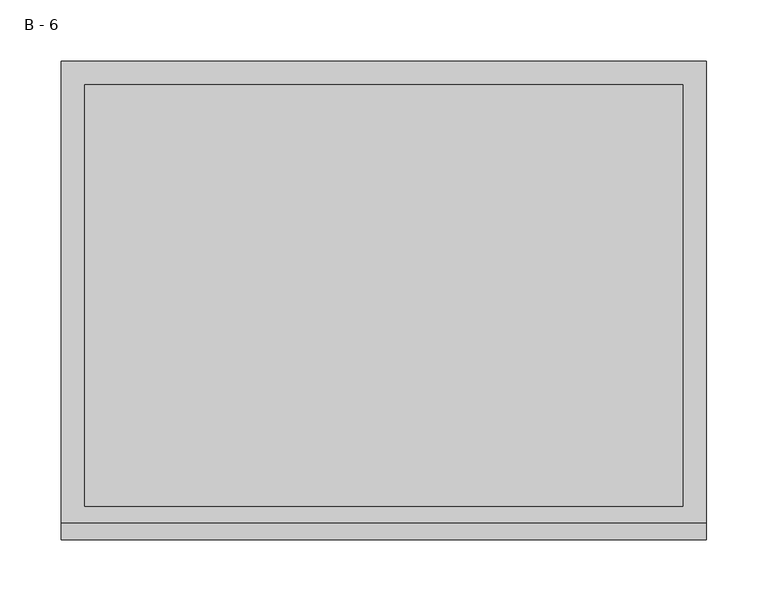
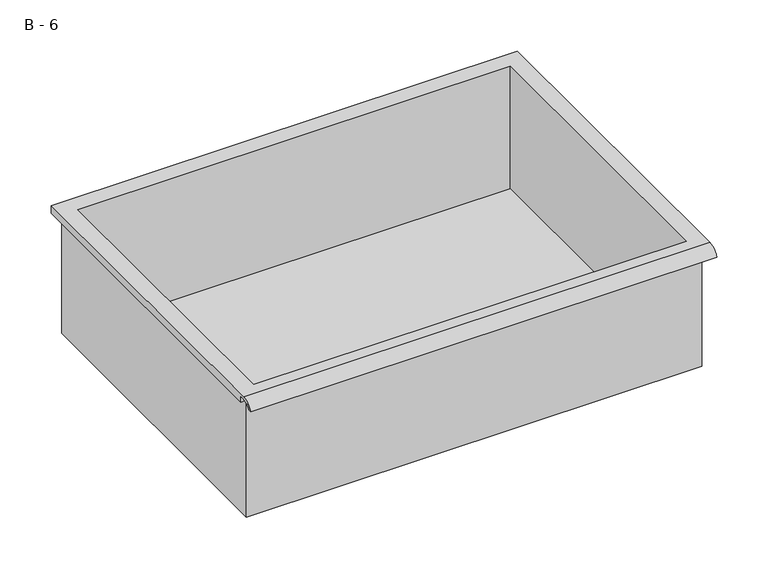
"""IFC4 building model written with IfcOpenShell, lengths in millimetres: furniture geometry, B - 6."""

from ifc_helpers import new_model, si_unit, frame, origin, place, context, project, spatial, polyline, circle_curve, source, transform, mapped, element, save
from ifc_brep_helpers import plane_surface, cylinder_surface, revolved_surface, advanced_brep


def b_6_fbf5a43c(model_context):
    return source(origin(), model_context, "Body", "AdvancedBrep", [
        advanced_brep(
        [(-257.1076517, -176.2125, 821.5249), (257.2423483, -176.2125, 821.5249), (257.2423483, -176.2125, 961.2249), (263.5923483, -176.2125, 961.2249), (263.5923483, -176.2125, 967.5320341), (-263.4576517, -176.2125, 967.5320341), (-263.4576517, -176.2125, 961.2249), (-257.1076517, -176.2125, 961.2249), (257.2423483, 185.7375, 821.5249), (-257.1076517, 185.7375, 821.5249), (-257.1076517, 185.7375, 961.2249), (257.2423483, 185.7375, 961.2249), (263.5923483, -181.6070544, 970.7499), (263.5923483, 195.2625, 970.7499), (-263.4576517, 195.2625, 970.7499), (-263.4576517, -181.6070544, 970.7499), (244.5423483, -168.275, 970.7499), (-244.4076517, -168.275, 970.7499), (-244.4076517, 176.2125, 970.7499), (244.5423483, 176.2125, 970.7499), (263.5923483, -195.2625, 961.2249), (263.5923483, -191.8280601, 961.2249), (263.5923483, -180.4714815, 967.5320341), (263.5923483, 195.2625, 961.2249), (-263.4576517, 195.2625, 961.2249), (-263.4576517, -180.4714815, 967.5320341), (-263.4576517, -191.8280601, 961.2249), (-263.4576517, -195.2625, 961.2249), (-244.4076517, -168.275, 824.5510719), (244.5423483, -168.275, 824.5510719), (244.5423483, 176.2125, 824.5510719), (-244.4076517, 176.2125, 824.5510719)],
        [
            (0, 1),
            (1, 2),
            (2, 3),
            (3, 4),
            (4, 5),
            (5, 6),
            (6, 7),
            (7, 0),
            (8, 9),
            (9, 10),
            (10, 11),
            (11, 8),
            (0, 9),
            (8, 1),
            (11, 2),
            (12, 13),
            (13, 14),
            (14, 15),
            (15, 12),
            (16, 17),
            (17, 18),
            (18, 19),
            (19, 16),
            (7, 10),
            (12, 20, circle_curve(frame((263.5923483, -181.6070544, 956.1988859), z_axis=(1.0, 0.0, 0.0), x_axis=(0.0, 1.0, 0.0)), 14.5510141)),
            (20, 21),
            (21, 22, circle_curve(frame((263.5923483, -181.6070544, 956.1988859), z_axis=(-1.0, 0.0, 0.0), x_axis=(0.0, 1.0, 0.0)), 11.3898979)),
            (22, 4),
            (3, 23),
            (23, 13),
            (14, 24),
            (24, 6),
            (5, 25),
            (25, 26, circle_curve(frame((-263.4576517, -181.6070544, 956.1988859), z_axis=(1.0, 0.0, 0.0), x_axis=(0.0, 1.0, 0.0)), 11.3898979)),
            (26, 27),
            (27, 15, circle_curve(frame((-263.4576517, -181.6070544, 956.1988859), z_axis=(-1.0, 0.0, 0.0), x_axis=(0.0, 1.0, 0.0)), 14.5510141)),
            (27, 20),
            (26, 21),
            (25, 22),
            (24, 23),
            (28, 29),
            (29, 30),
            (30, 31),
            (31, 28),
            (28, 17),
            (16, 29),
            (19, 30),
            (18, 31),
        ],
        [
            plane_surface(frame((257.2423483, -176.2125, 821.5249), z_axis=(0.0, -1.0, 0.0), x_axis=(1.0, 0.0, 0.0))),
            plane_surface(frame((257.2423483, 185.7375, 821.5249), z_axis=(0.0, 1.0, 0.0), x_axis=(-1.0, 0.0, 0.0))),
            plane_surface(frame((-257.1076517, -176.2125, 821.5249), z_axis=(0.0, 0.0, -1.0), x_axis=(0.0, 1.0, 0.0))),
            plane_surface(frame((257.2423483, -176.2125, 821.5249), z_axis=(1.0, 0.0, 0.0), x_axis=(0.0, 1.0, 0.0))),
            plane_surface(frame((257.2423483, -176.2125, 970.7499), z_axis=(0.0, 0.0, 1.0), x_axis=(0.0, 1.0, 0.0))),
            plane_surface(frame((-257.1076517, -176.2125, 970.7499), z_axis=(-1.0, 0.0, 0.0), x_axis=(0.0, 1.0, 0.0))),
            plane_surface(frame((263.5923483, 195.2625, 970.7499), z_axis=(1.0, 0.0, 0.0), x_axis=(0.0, -1.0, 0.0))),
            plane_surface(frame((-263.4576517, 195.2625, 970.7499), z_axis=(-1.0, 0.0, 0.0), x_axis=(0.0, 1.0, 0.0))),
            cylinder_surface(frame((-263.4576517, -181.6070544, 956.1988859), z_axis=(1.0, 0.0, 0.0), x_axis=(0.0, 1.0, 0.0)), 14.5510141),
            plane_surface(frame((263.5923483, -195.2625, 961.2249), z_axis=(0.0, -7.370057395037639e-12, -1.0), x_axis=(-1.0, 0.0, 0.0))),
            revolved_surface(polyline([(-263.4576517, -170.21715650000002, 956.1988859), (263.59234829999997, -170.21715650000002, 956.1988859)]), (-263.4576517, -181.6070544, 956.1988859), (-1.0, 0.0, 0.0)),
            plane_surface(frame((263.5923483, -180.4714815, 967.5320341), z_axis=(0.0, -1.817922895215314e-11, -1.0), x_axis=(-1.0, 0.0, 0.0))),
            plane_surface(frame((263.5923483, -176.2125, 961.2249), z_axis=(0.0, 0.0, -1.0), x_axis=(-1.0, 0.0, 0.0))),
            plane_surface(frame((263.5923483, 195.2625, 961.2249), z_axis=(0.0, 1.0, 0.0), x_axis=(-1.0, 0.0, 0.0))),
            plane_surface(frame((244.5423483, -168.275, 824.5510719), z_axis=(0.0, 0.0, 1.0), x_axis=(-1.0, 0.0, 0.0))),
            plane_surface(frame((-244.4076517, -168.275, 970.7499), z_axis=(0.0, 1.0, 0.0), x_axis=(0.0, 0.0, -1.0))),
            plane_surface(frame((244.5423483, -168.275, 970.7499), z_axis=(-1.0, 0.0, 0.0), x_axis=(0.0, 0.0, -1.0))),
            plane_surface(frame((244.5423483, 176.2125, 970.7499), z_axis=(0.0, -1.0, 0.0), x_axis=(0.0, 0.0, -1.0))),
            plane_surface(frame((-244.4076517, 176.2125, 970.7499), z_axis=(1.0, 0.0, 0.0), x_axis=(0.0, 0.0, -1.0))),
        ],
        [
            (0, [[1, 2, 3, 4, 5, 6, 7, 8]]),
            (1, [[9, 10, 11, 12]]),
            (2, [[-1, 13, -9, 14]]),
            (3, [[-14, -12, 15, -2]]),
            (4, [[16, 17, 18, 19], [20, 21, 22, 23]]),
            (5, [[-13, -8, 24, -10]]),
            (6, [[-16, 25, 26, 27, 28, -4, 29, 30]]),
            (7, [[31, 32, -6, 33, 34, 35, 36, -18]]),
            (8, [[-25, -19, -36, 37]]),
            (9, [[-26, -37, -35, 38]]),
            (10, [[-27, -38, -34, 39]]),
            (11, [[-28, -39, -33, -5]]),
            (12, [[-29, -3, -15, -11, -24, -7, -32, 40]]),
            (13, [[-30, -40, -31, -17]]),
            (14, [[41, 42, 43, 44]]),
            (15, [[-41, 45, -20, 46]]),
            (16, [[-42, -46, -23, 47]]),
            (17, [[-43, -47, -22, 48]]),
            (18, [[-44, -48, -21, -45]]),
        ],
    ),
    ])


if __name__ == "__main__":
    model = new_model("IFC4")
    model_context = context("Model", 3, world=origin())
    ifc_project = project(units=[si_unit("LENGTHUNIT", "METRE", prefix="MILLI")], contexts=[model_context])
    site = spatial("IfcSite", under=ifc_project)
    building = spatial("IfcBuilding", under=site)
    placement = place(None, origin())
    b_6_shape = b_6_fbf5a43c(model_context)
    element("IfcFurniture", 1, ObjectType="B - 6", at=placement, inside=building, context=model_context, shape_type="MappedRepresentation", body=[
        mapped(b_6_shape, transform((0.0, 0.0, 0.0), x_axis=(1.0, 0.0, 0.0), y_axis=(0.0, 1.0, 0.0), z_axis=(0.0, 0.0, 1.0))),
    ])
    save(model, "model.ifc")
